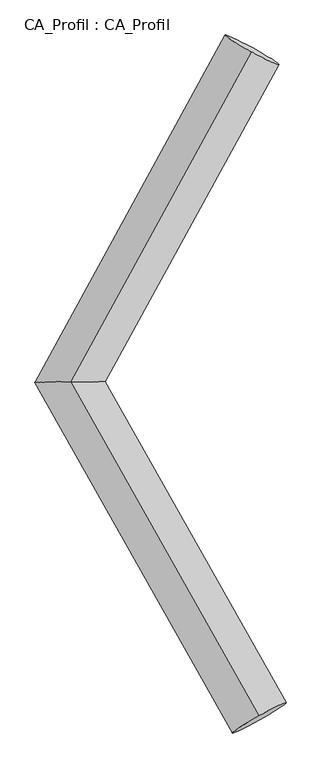
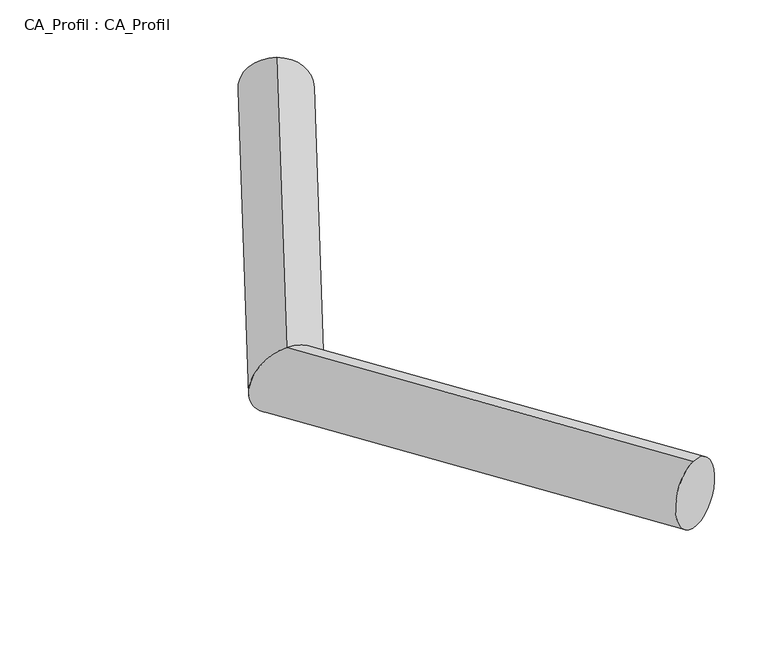
"""IFC4 building model written with IfcOpenShell, lengths in millimetres: plate geometry, CA_Profil : CA_Profil."""

from ifc_helpers import new_model, si_unit, frame, origin, place, context, project, spatial, circle_curve, ellipse_curve, source, transform, mapped, element, save
from ifc_brep_helpers import plane_surface, cylinder_surface, advanced_brep


def ca_profil_ca_profil_a5d046af(model_context):
    return source(origin(), model_context, "Body", "AdvancedBrep", [
        advanced_brep(
        [(6071.9458605, 8801.6666768, -150.5979929), (6062.008922, 8770.6650829, 348.3410399), (4586.552533, 6096.2539099, -348.2822061), (4593.3580484, 6095.7460901, 152.8850034), (6130.5155082, 3358.4436458, -152.9770014), (6120.2307804, 3388.2408551, 346.02836)],
        [
            (0, 1, circle_curve(frame((6066.9773913, 8786.1658798, 98.8715235), z_axis=(0.4802917170903392, 0.8747766124689286, 0.0639198308179847), x_axis=(-0.01987387698906546, -0.062003187842085944, 0.9978780655525216)), 250.0)),
            (1, 0, circle_curve(frame((6066.9773913, 8786.1658798, 98.8715235), z_axis=(0.4802917170903392, 0.8747766124689286, 0.0639198308179847), x_axis=(-0.01987387698906546, -0.062003187842085944, 0.9978780655525216)), 250.0)),
            (0, 2),
            (2, 3, ellipse_curve(frame((4589.9552907, 6096.0, -97.6986014), z_axis=(-0.005720232989041581, 0.9999830442549288, 0.0010909340933943235), x_axis=(0.991671236300174, 0.00553230712087783, 0.1286761542509135)), 286.6695894, 250.0)),
            (3, 1),
            (3, 2, ellipse_curve(frame((4589.9552907, 6096.0, -97.6986014), z_axis=(-0.005720232989041581, 0.9999830442549288, 0.0010909340933943235), x_axis=(0.991671236300174, 0.00553230712087783, 0.1286761542509135)), 286.6695894, 250.0)),
            (4, 5, circle_curve(frame((6125.3731443, 3373.3422505, 96.5256793), z_axis=(0.4902687659299706, -0.8693620774144595, 0.06201705819465528), x_axis=(-0.020569455422814787, 0.05959441858954789, 0.998010722776355)), 250.0)),
            (5, 4, circle_curve(frame((6125.3731443, 3373.3422505, 96.5256793), z_axis=(0.4902687659299706, -0.8693620774144595, 0.06201705819465528), x_axis=(-0.020569455422814787, 0.05959441858954789, 0.998010722776355)), 250.0)),
            (2, 4),
            (5, 3),
        ],
        [
            plane_surface(frame((6066.9773913, 8804.3847798, -150.4637361), z_axis=(0.4802917170903392, 0.8747766124689286, 0.06391983081798437), x_axis=(0.8771088110915394, -0.479014639871544, -0.03500154702754413))),
            cylinder_surface(frame((6066.9773913, 8786.1658798, 98.8715235), z_axis=(0.4802917170903392, 0.8747766124689286, 0.0639198308179847), x_axis=(-0.01987387698906546, -0.062003187842085944, 0.9978780655525216)), 250.0),
            plane_surface(frame((6125.3731443, 3355.5533852, -152.8406301), z_axis=(0.490268765929971, -0.8693620774144591, 0.062017058194654986), x_axis=(0.8715713035394771, 0.48902605112101133, -0.03488530022067632))),
            cylinder_surface(frame((4589.9552907, 6096.0, -97.6986014), z_axis=(-0.4902687659299706, 0.8693620774144595, -0.06201705819465528), x_axis=(-0.020569455422814787, 0.05959441858954789, 0.998010722776355)), 250.0),
        ],
        [
            (0, [[1, 2]]),
            (1, [[-1, 3, 4, 5]]),
            (1, [[-2, -5, 6, -3]]),
            (2, [[7, 8]]),
            (3, [[-4, 9, -8, 10]]),
            (3, [[-6, -10, -7, -9]]),
        ],
    ),
    ])


if __name__ == "__main__":
    model = new_model("IFC4")
    model_context = context("Model", 3, world=origin())
    ifc_project = project(units=[si_unit("LENGTHUNIT", "METRE", prefix="MILLI")], contexts=[model_context])
    site = spatial("IfcSite", under=ifc_project)
    building = spatial("IfcBuilding", under=site)
    placement = place(None, origin())
    ca_profil_ca_profil_shape = ca_profil_ca_profil_a5d046af(model_context)
    element("IfcPlate", 1, ObjectType="CA_Profil : CA_Profil", at=placement, inside=building, context=model_context, shape_type="MappedRepresentation", body=[
        mapped(ca_profil_ca_profil_shape, transform((0.0, 0.0, 0.0), x_axis=(1.0, 0.0, 0.0), y_axis=(0.0, 1.0, 0.0), z_axis=(0.0, 0.0, 1.0))),
    ])
    save(model, "model.ifc")
